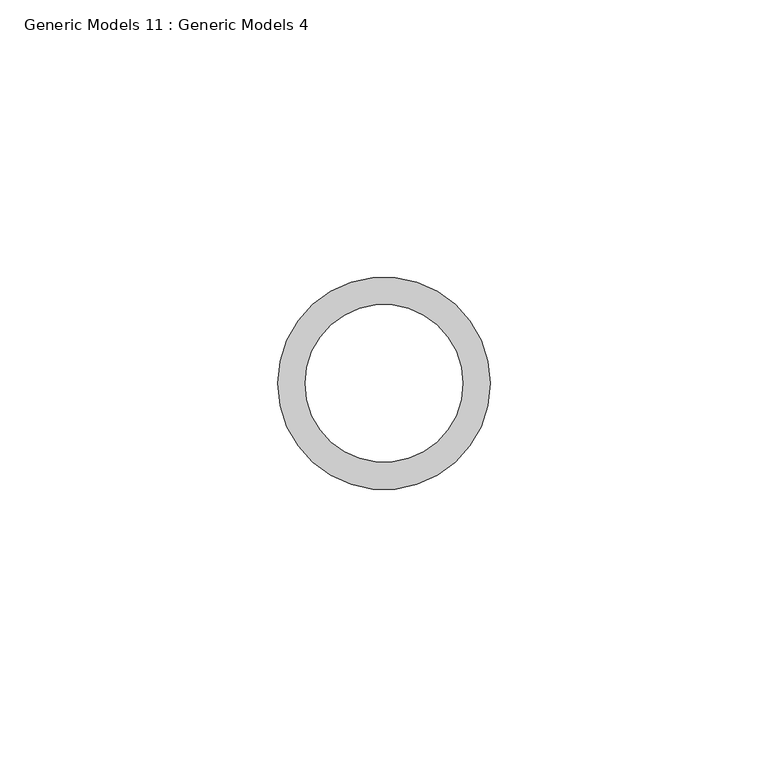
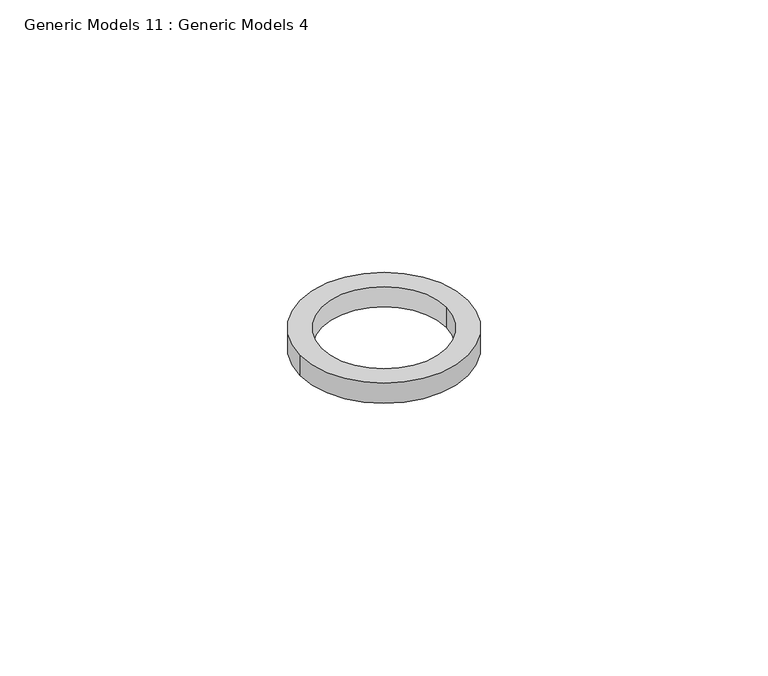
"""IFC4 building model written with IfcOpenShell, lengths in millimetres: proxy geometry, Generic Models 11 : Generic Models 4."""

from ifc_helpers import new_model, si_unit, point, frame, frame_2d, origin, place, context, project, spatial, circle_curve, trimmed, segment, composite_curve, outline, extrude, source, transform, mapped, element, save


def generic_models_11_generic_models_4_798b9d45(model_context):
    return source(origin(), model_context, "Body", "SweptSolid", [
        extrude(outline(composite_curve([segment(trimmed(circle_curve(frame_2d((51364.0444357, -19849.3175093)), 19.1318308), [point((51344.9126049, -19849.3175093))], [point((51383.1762665, -19849.3175093))], False, "CARTESIAN"), True, "CONTINUOUS"), segment(trimmed(circle_curve(frame_2d((51364.0444357, -19849.3175093)), 19.1318308), [point((51383.1762665, -19849.3175093))], [point((51344.9126049, -19849.3175093))], False, "CARTESIAN"), True, "CONTINUOUS")], self_intersect=False), holes=[composite_curve([segment(trimmed(circle_curve(frame_2d((51364.0444357, -19849.3175093)), 14.2122074), [point((51349.8322283, -19849.3175093))], [point((51378.2566431, -19849.3175093))], True, "CARTESIAN"), True, "CONTINUOUS"), segment(trimmed(circle_curve(frame_2d((51364.0444357, -19849.3175093)), 14.2122074), [point((51378.2566431, -19849.3175093))], [point((51349.8322283, -19849.3175093))], True, "CARTESIAN"), True, "CONTINUOUS")], self_intersect=False)]), frame((0.0, 0.0, 808.320023), z_axis=(0.0, 0.0, 1.0), x_axis=(1.0, 0.0, 0.0)), (0.0, 0.0, 1.0), 4.891176),
    ])


if __name__ == "__main__":
    model = new_model("IFC4")
    model_context = context("Model", 3, world=origin())
    ifc_project = project(units=[si_unit("LENGTHUNIT", "METRE", prefix="MILLI")], contexts=[model_context])
    site = spatial("IfcSite", under=ifc_project)
    building = spatial("IfcBuilding", under=site)
    placement = place(None, origin())
    generic_models_11_generic_models_4_shape = generic_models_11_generic_models_4_798b9d45(model_context)
    element("IfcBuildingElementProxy", 1, Name="Generic Models 11 : Generic Models 4", ObjectType="Generic Models 11 : Generic Models 4", at=placement, inside=building, context=model_context, shape_type="MappedRepresentation", body=[
        mapped(generic_models_11_generic_models_4_shape, transform((0.0, 0.0, 0.0), x_axis=(1.0, 0.0, 0.0), y_axis=(0.0, 1.0, 0.0), z_axis=(0.0, 0.0, 1.0))),
    ])
    save(model, "model.ifc")
